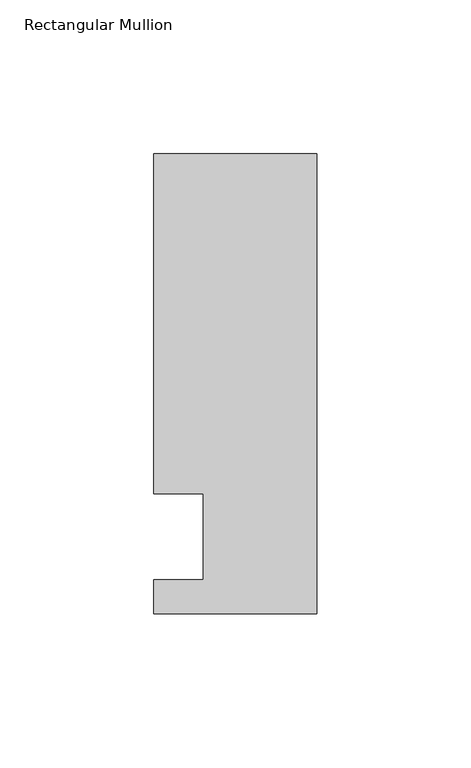
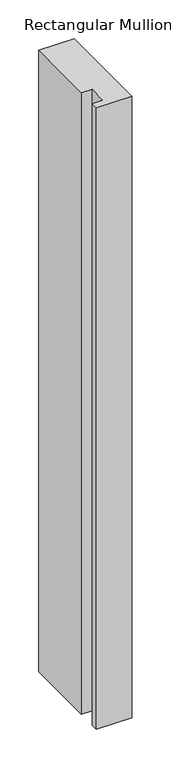
"""IFC4 building model written with IfcOpenShell, lengths in millimetres: member geometry, Rectangular Mullion."""

from ifc_helpers import new_model, si_unit, frame, origin, place, context, project, spatial, polyline, outline, extrude, source, transform, mapped, element, save


def rectangular_mullion_606e239a(model_context):
    return source(origin(), model_context, "Body", "SweptSolid", [
        extrude(outline(polyline([(-37.0, -13.9999453), (-37.0, 14.0000547), (-53.0, 14.0000547), (-53.0, 124.5000547), (0.0, 124.5000547), (0.0, -24.9999453), (-53.0, -24.9999453), (-53.0, -13.9999453), (-37.0, -13.9999453)])), frame((0.0, 0.0, -981.5000086), z_axis=(0.0, 0.0, 1.0), x_axis=(1.0, 0.0, 0.0)), (0.0, 0.0, 1.0), 981.5000086),
    ])


if __name__ == "__main__":
    model = new_model("IFC4")
    model_context = context("Model", 3, world=origin())
    ifc_project = project(units=[si_unit("LENGTHUNIT", "METRE", prefix="MILLI")], contexts=[model_context])
    site = spatial("IfcSite", under=ifc_project)
    building = spatial("IfcBuilding", under=site)
    placement = place(None, origin())
    rectangular_mullion_shape = rectangular_mullion_606e239a(model_context)
    element("IfcMember", 1, ObjectType="Rectangular Mullion", at=placement, inside=building, context=model_context, shape_type="MappedRepresentation", body=[
        mapped(rectangular_mullion_shape, transform((0.0, 0.0, 0.0), x_axis=(1.0, 0.0, 0.0), y_axis=(0.0, 1.0, 0.0), z_axis=(0.0, 0.0, 1.0))),
    ])
    save(model, "model.ifc")
